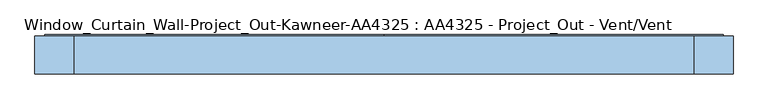
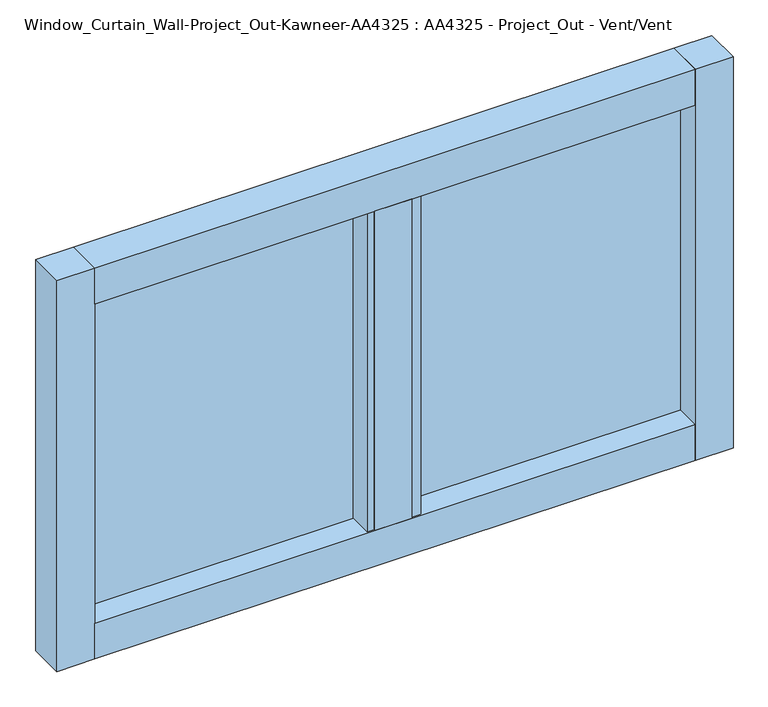
"""IFC4 building model written with IfcOpenShell, lengths in millimetres: window geometry, Window_Curtain_Wall-Project_Out-Kawneer-AA4325 : AA4325 - Project_Out - Vent/Vent."""

from ifc_helpers import new_model, si_unit, frame, origin, origin_with_axes, place, context, project, spatial, polyline, outline, extrude, source, transform, mapped, element, save


def window_curtain_wall_project_out_kawneer_aa4325_aa4325_223f7fbd(model_context):
    return source(origin(), model_context, "Body", "SweptSolid", [
        extrude(outline(polyline([(37.30625, -41.275), (-45.24375, -41.275), (-45.24375, 41.275), (37.30625, 41.275), (37.30625, -41.275)])), frame((0.0, 0.0, 85.725), z_axis=(0.0, 0.0, 1.0), x_axis=(1.0, 0.0, 0.0)), (0.0, 0.0, 1.0), 761.20625),
        extrude(outline(polyline([(21.43125, -740.56875), (21.43125, -0.79375), (911.225, -0.79375), (911.225, -740.56875), (21.43125, -740.56875)]), holes=[polyline([(850.9, -680.24375), (850.9, -61.11875), (81.75625, -61.11875), (81.75625, -680.24375), (850.9, -680.24375)])]), frame((0.0, -38.1, 0.0), z_axis=(0.0, 1.0, 0.0), x_axis=(0.0, 0.0, 1.0)), (0.0, 0.0, 1.0), 82.55),
        extrude(outline(polyline([(911.225, 740.56875), (911.225, 0.79375), (21.43125, 0.79375), (21.43125, 740.56875), (911.225, 740.56875)]), holes=[polyline([(81.75625, 680.24375), (81.75625, 61.11875), (850.9, 61.11875), (850.9, 680.24375), (81.75625, 680.24375)])]), frame((0.0, -38.1, 0.0), z_axis=(0.0, 1.0, 0.0), x_axis=(0.0, 0.0, 1.0)), (0.0, 0.0, 1.0), 82.55),
        extrude(outline(polyline([(61.11875, 15.875), (61.11875, 41.275), (680.24375, 41.275), (680.24375, 15.875), (61.11875, 15.875)])), frame((0.0, 0.0, 81.75625), z_axis=(0.0, 0.0, 1.0), x_axis=(1.0, 0.0, 0.0)), (0.0, 0.0, 1.0), 769.14375),
        extrude(outline(polyline([(-680.24375, 15.875), (-680.24375, 41.275), (-61.11875, 41.275), (-61.11875, 15.875), (-680.24375, 15.875)])), frame((0.0, 0.0, 81.75625), z_axis=(0.0, 0.0, 1.0), x_axis=(1.0, 0.0, 0.0)), (0.0, 0.0, 1.0), 769.14375),
        extrude(outline(polyline([(676.275, 41.275), (676.275, -41.275), (-676.275, -41.275), (-676.275, 41.275), (676.275, 41.275)])), frame((0.0, 0.0, 846.93125), z_axis=(0.0, 0.0, 1.0), x_axis=(1.0, 0.0, 0.0)), (0.0, 0.0, 1.0), 85.725),
        extrude(outline(polyline([(676.275, 41.275), (676.275, -41.275), (-676.275, -41.275), (-676.275, 41.275), (676.275, 41.275)])), origin_with_axes(), (0.0, 0.0, 1.0), 85.725),
        extrude(outline(polyline([(-762.0, -41.275), (-762.0, 41.275), (-676.275, 41.275), (-676.275, -41.275), (-762.0, -41.275)])), origin_with_axes(), (0.0, 0.0, 1.0), 932.65625),
        extrude(outline(polyline([(762.0, -41.275), (676.275, -41.275), (676.275, 41.275), (762.0, 41.275), (762.0, -41.275)])), origin_with_axes(), (0.0, 0.0, 1.0), 932.65625),
    ])


if __name__ == "__main__":
    model = new_model("IFC4")
    model_context = context("Model", 3, world=origin())
    ifc_project = project(units=[si_unit("LENGTHUNIT", "METRE", prefix="MILLI")], contexts=[model_context])
    site = spatial("IfcSite", under=ifc_project)
    building = spatial("IfcBuilding", under=site)
    placement = place(None, origin())
    window_curtain_wall_project_out_kawneer_aa4325_aa4325_shape = window_curtain_wall_project_out_kawneer_aa4325_aa4325_223f7fbd(model_context)
    element("IfcWindow", 1, ObjectType="Window_Curtain_Wall-Project_Out-Kawneer-AA4325 : AA4325 - Project_Out - Vent/Vent", at=placement, inside=building, context=model_context, shape_type="MappedRepresentation", body=[
        mapped(window_curtain_wall_project_out_kawneer_aa4325_aa4325_shape, transform((0.0, 0.0, 0.0), x_axis=(1.0, 0.0, 0.0), y_axis=(0.0, 1.0, 0.0), z_axis=(0.0, 0.0, 1.0))),
    ])
    save(model, "model.ifc")
